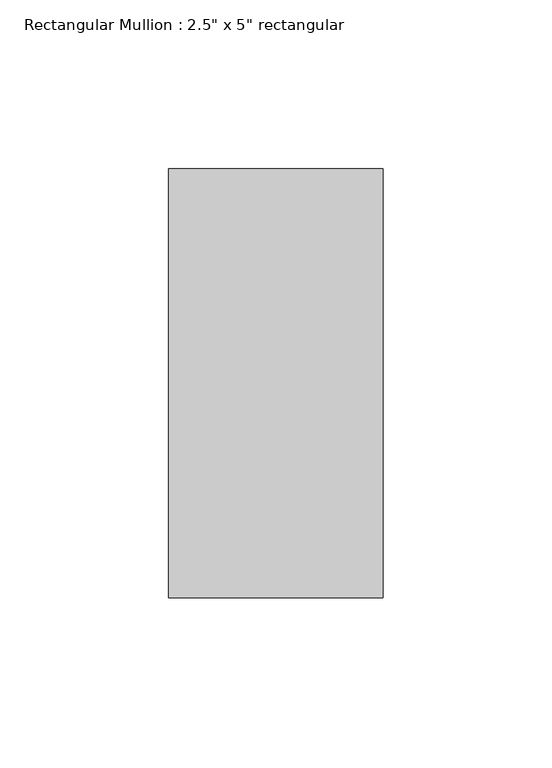
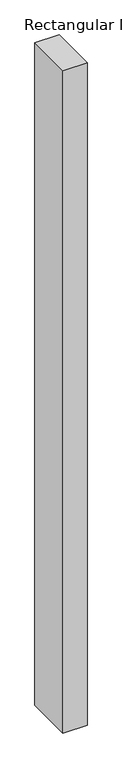
"""IFC4 building model written with IfcOpenShell, lengths in millimetres: member geometry."""

from ifc_helpers import new_model, si_unit, frame, origin, place, context, project, spatial, polyline, outline, extrude, source, transform, mapped, element, save


def member_91c79ee7(model_context):
    return source(origin(), model_context, "Body", "SweptSolid", [
        extrude(outline(polyline([(0.0, 63.5), (0.0, -63.5), (-63.5, -63.5), (-63.5, 63.5), (0.0, 63.5)])), frame((0.0, 0.0, -1836.8), z_axis=(0.0, 0.0, 1.0), x_axis=(1.0, 0.0, 0.0)), (0.0, 0.0, 1.0), 1836.8),
    ])


if __name__ == "__main__":
    model = new_model("IFC4")
    model_context = context("Model", 3, world=origin())
    ifc_project = project(units=[si_unit("LENGTHUNIT", "METRE", prefix="MILLI")], contexts=[model_context])
    site = spatial("IfcSite", under=ifc_project)
    building = spatial("IfcBuilding", under=site)
    placement = place(None, origin())
    member_shape = member_91c79ee7(model_context)
    element("IfcMember", 1, ObjectType="Rectangular Mullion : 2.5\" x 5\" rectangular", at=placement, inside=building, context=model_context, shape_type="MappedRepresentation", body=[
        mapped(member_shape, transform((0.0, 0.0, 0.0), x_axis=(1.0, 0.0, 0.0), y_axis=(0.0, 1.0, 0.0), z_axis=(0.0, 0.0, 1.0))),
    ])
    save(model, "model.ifc")
